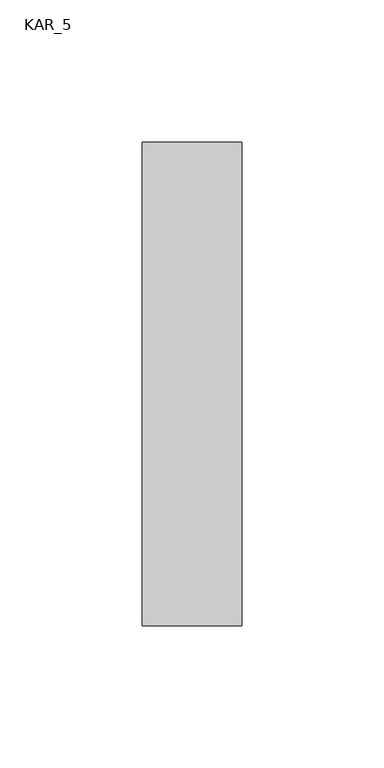
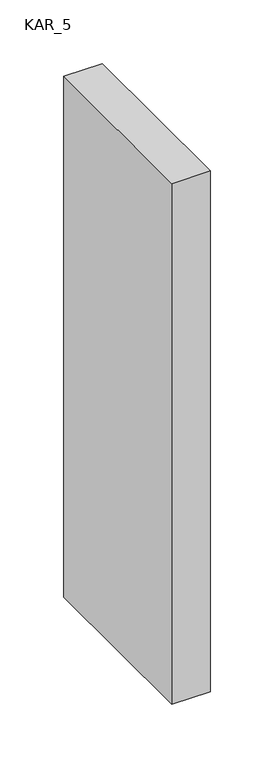
"""IFC4 building model written with IfcOpenShell, lengths in millimetres: proxy geometry, KAR_5."""

from ifc_helpers import new_model, si_unit, frame, origin, place, context, project, spatial, polyline, outline, extrude, source, transform, mapped, element, save


def kar_5_52369e19(model_context):
    return source(origin(), model_context, "Body", "SweptSolid", [
        extrude(outline(polyline([(35.0, 170.0), (35.0, 0.0), (0.0, 0.0), (0.0, 170.0), (35.0, 170.0)])), frame((0.0, 0.0, 2200.0), z_axis=(0.0, 0.0, 1.0), x_axis=(1.0, 0.0, 0.0)), (0.0, 0.0, 1.0), 500.0),
    ])


if __name__ == "__main__":
    model = new_model("IFC4")
    model_context = context("Model", 3, world=origin())
    ifc_project = project(units=[si_unit("LENGTHUNIT", "METRE", prefix="MILLI")], contexts=[model_context])
    site = spatial("IfcSite", under=ifc_project)
    building = spatial("IfcBuilding", under=site)
    placement = place(None, origin())
    kar_5_shape = kar_5_52369e19(model_context)
    element("IfcBuildingElementProxy", 1, Name="KAR_5", ObjectType="KAR_5", at=placement, inside=building, context=model_context, shape_type="MappedRepresentation", body=[
        mapped(kar_5_shape, transform((0.0, 0.0, 0.0), x_axis=(1.0, 0.0, 0.0), y_axis=(0.0, 1.0, 0.0), z_axis=(0.0, 0.0, 1.0))),
    ])
    save(model, "model.ifc")
